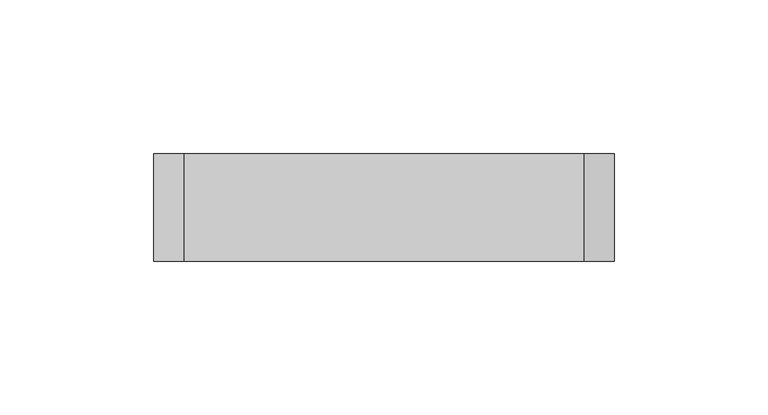
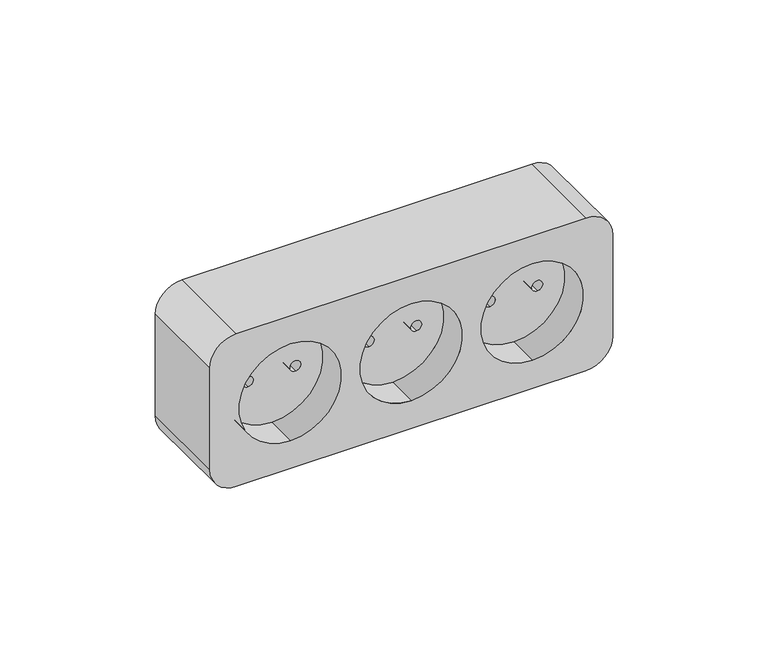
"""IFC4 building model written with IfcOpenShell, lengths in millimetres: proxy geometry."""

from ifc_helpers import new_model, si_unit, frame, origin, place, context, project, spatial, polyline, circle_curve, source, transform, mapped, element, save
from ifc_brep_helpers import plane_surface, cylinder_surface, revolved_surface, advanced_brep


def electrical_fixtures_6a8b407e(model_context):
    return source(origin(), model_context, "Body", "AdvancedBrep", [
        advanced_brep(
        [(60.0, -35.0, 210.0), (50.0, -35.0, 200.0), (50.0, -35.0, 160.0), (60.0, -35.0, 150.0), (190.0, -35.0, 150.0), (200.0, -35.0, 160.0), (200.0, -35.0, 200.0), (190.0, -35.0, 210.0), (170.0, -35.0, 199.0), (170.0, -35.0, 161.0), (125.0, -35.0, 199.0), (125.0, -35.0, 161.0), (80.0, -35.0, 199.0), (80.0, -35.0, 161.0), (60.0, 0.0, 210.0), (190.0, 0.0, 210.0), (200.0, 0.0, 200.0), (200.0, 0.0, 160.0), (190.0, 0.0, 150.0), (60.0, 0.0, 150.0), (50.0, 0.0, 160.0), (50.0, 0.0, 200.0), (170.0, -23.0, 199.0), (170.0, -23.0, 161.0), (178.8542367, -23.0, 182.0), (178.8542367, -23.0, 178.0), (161.1457633, -23.0, 182.0), (161.1457633, -23.0, 178.0), (125.0, -23.0, 199.0), (125.0, -23.0, 161.0), (133.8542367, -23.0, 182.0), (133.8542367, -23.0, 178.0), (116.1457633, -23.0, 182.0), (116.1457633, -23.0, 178.0), (133.8542367, -15.0, 182.0), (133.8542367, -15.0, 178.0), (116.1457633, -15.0, 182.0), (116.1457633, -15.0, 178.0), (178.8542367, -15.0, 182.0), (178.8542367, -15.0, 178.0), (161.1457633, -15.0, 182.0), (161.1457633, -15.0, 178.0), (88.8542367, -15.0, 182.0), (88.8542367, -15.0, 178.0), (71.1457633, -15.0, 182.0), (71.1457633, -15.0, 178.0), (88.8542367, -23.0, 182.0), (88.8542367, -23.0, 178.0), (71.1457633, -23.0, 182.0), (71.1457633, -23.0, 178.0), (80.0, -23.0, 199.0), (80.0, -23.0, 161.0)],
        [
            (0, 1, circle_curve(frame((60.0, -35.0, 200.0), z_axis=(0.0, -1.0, 0.0), x_axis=(-1.0, 0.0, 0.0)), 10.0)),
            (1, 2),
            (2, 3, circle_curve(frame((60.0, -35.0, 160.0), z_axis=(0.0, -1.0, 0.0), x_axis=(-1.0, 0.0, 0.0)), 10.0)),
            (3, 4),
            (4, 5, circle_curve(frame((190.0, -35.0, 160.0), z_axis=(0.0, -1.0, 0.0), x_axis=(-1.0, 0.0, 0.0)), 10.0)),
            (5, 6),
            (6, 7, circle_curve(frame((190.0, -35.0, 200.0), z_axis=(0.0, -1.0, 0.0), x_axis=(-1.0, 0.0, 0.0)), 10.0)),
            (7, 0),
            (8, 9, circle_curve(frame((170.0, -35.0, 180.0), z_axis=(0.0, 1.0, 0.0), x_axis=(0.0, 0.0, -1.0)), 19.0)),
            (9, 8, circle_curve(frame((170.0, -35.0, 180.0), z_axis=(0.0, 1.0, 0.0), x_axis=(0.0, 0.0, -1.0)), 19.0)),
            (10, 11, circle_curve(frame((125.0, -35.0, 180.0), z_axis=(0.0, 1.0, 0.0), x_axis=(0.0, 0.0, -1.0)), 19.0)),
            (11, 10, circle_curve(frame((125.0, -35.0, 180.0), z_axis=(0.0, 1.0, 0.0), x_axis=(0.0, 0.0, -1.0)), 19.0)),
            (12, 13, circle_curve(frame((80.0, -35.0, 180.0), z_axis=(0.0, 1.0, 0.0), x_axis=(0.0, 0.0, -1.0)), 19.0)),
            (13, 12, circle_curve(frame((80.0, -35.0, 180.0), z_axis=(0.0, 1.0, 0.0), x_axis=(0.0, 0.0, -1.0)), 19.0)),
            (14, 15),
            (15, 16, circle_curve(frame((190.0, 0.0, 200.0), z_axis=(0.0, 1.0, 0.0), x_axis=(-1.0, 0.0, 0.0)), 10.0)),
            (16, 17),
            (17, 18, circle_curve(frame((190.0, 0.0, 160.0), z_axis=(0.0, 1.0, 0.0), x_axis=(-1.0, 0.0, 0.0)), 10.0)),
            (18, 19),
            (19, 20, circle_curve(frame((60.0, 0.0, 160.0), z_axis=(0.0, 1.0, 0.0), x_axis=(-1.0, 0.0, 0.0)), 10.0)),
            (20, 21),
            (21, 14, circle_curve(frame((60.0, 0.0, 200.0), z_axis=(0.0, 1.0, 0.0), x_axis=(-1.0, 0.0, 0.0)), 10.0)),
            (7, 15),
            (14, 0),
            (5, 17),
            (16, 6),
            (3, 19),
            (18, 4),
            (1, 21),
            (20, 2),
            (22, 23, circle_curve(frame((170.0, -23.0, 180.0), z_axis=(0.0, -1.0, 0.0), x_axis=(0.0, 0.0, -1.0)), 19.0)),
            (23, 22, circle_curve(frame((170.0, -23.0, 180.0), z_axis=(0.0, -1.0, 0.0), x_axis=(0.0, 0.0, -1.0)), 19.0)),
            (24, 25, circle_curve(frame((178.8542367, -23.0, 180.0), z_axis=(0.0, 1.0, 0.0), x_axis=(0.0, 0.0, -1.0)), 2.0)),
            (25, 24, circle_curve(frame((178.8542367, -23.0, 180.0), z_axis=(0.0, 1.0, 0.0), x_axis=(0.0, 0.0, -1.0)), 2.0)),
            (26, 27, circle_curve(frame((161.1457633, -23.0, 180.0), z_axis=(0.0, 1.0, 0.0), x_axis=(0.0, 0.0, -1.0)), 2.0)),
            (27, 26, circle_curve(frame((161.1457633, -23.0, 180.0), z_axis=(0.0, 1.0, 0.0), x_axis=(0.0, 0.0, -1.0)), 2.0)),
            (22, 8),
            (9, 23),
            (28, 29, circle_curve(frame((125.0, -23.0, 180.0), z_axis=(0.0, -1.0, 0.0), x_axis=(0.0, 0.0, -1.0)), 19.0)),
            (29, 28, circle_curve(frame((125.0, -23.0, 180.0), z_axis=(0.0, -1.0, 0.0), x_axis=(0.0, 0.0, -1.0)), 19.0)),
            (30, 31, circle_curve(frame((133.8542367, -23.0, 180.0), z_axis=(0.0, 1.0, 0.0), x_axis=(0.0, 0.0, -1.0)), 2.0)),
            (31, 30, circle_curve(frame((133.8542367, -23.0, 180.0), z_axis=(0.0, 1.0, 0.0), x_axis=(0.0, 0.0, -1.0)), 2.0)),
            (32, 33, circle_curve(frame((116.1457633, -23.0, 180.0), z_axis=(0.0, 1.0, 0.0), x_axis=(0.0, 0.0, -1.0)), 2.0)),
            (33, 32, circle_curve(frame((116.1457633, -23.0, 180.0), z_axis=(0.0, 1.0, 0.0), x_axis=(0.0, 0.0, -1.0)), 2.0)),
            (28, 10),
            (11, 29),
            (34, 35, circle_curve(frame((133.8542367, -15.0, 180.0), z_axis=(0.0, -1.0, 0.0), x_axis=(0.0, 0.0, -1.0)), 2.0)),
            (35, 34, circle_curve(frame((133.8542367, -15.0, 180.0), z_axis=(0.0, -1.0, 0.0), x_axis=(0.0, 0.0, -1.0)), 2.0)),
            (36, 37, circle_curve(frame((116.1457633, -15.0, 180.0), z_axis=(0.0, -1.0, 0.0), x_axis=(0.0, 0.0, -1.0)), 2.0)),
            (37, 36, circle_curve(frame((116.1457633, -15.0, 180.0), z_axis=(0.0, -1.0, 0.0), x_axis=(0.0, 0.0, -1.0)), 2.0)),
            (34, 30),
            (31, 35),
            (36, 32),
            (33, 37),
            (38, 39, circle_curve(frame((178.8542367, -15.0, 180.0), z_axis=(0.0, -1.0, 0.0), x_axis=(0.0, 0.0, -1.0)), 2.0)),
            (39, 38, circle_curve(frame((178.8542367, -15.0, 180.0), z_axis=(0.0, -1.0, 0.0), x_axis=(0.0, 0.0, -1.0)), 2.0)),
            (40, 41, circle_curve(frame((161.1457633, -15.0, 180.0), z_axis=(0.0, -1.0, 0.0), x_axis=(0.0, 0.0, -1.0)), 2.0)),
            (41, 40, circle_curve(frame((161.1457633, -15.0, 180.0), z_axis=(0.0, -1.0, 0.0), x_axis=(0.0, 0.0, -1.0)), 2.0)),
            (38, 24),
            (25, 39),
            (40, 26),
            (27, 41),
            (42, 43, circle_curve(frame((88.8542367, -15.0, 180.0), z_axis=(0.0, -1.0, 0.0), x_axis=(0.0, 0.0, -1.0)), 2.0)),
            (43, 42, circle_curve(frame((88.8542367, -15.0, 180.0), z_axis=(0.0, -1.0, 0.0), x_axis=(0.0, 0.0, -1.0)), 2.0)),
            (44, 45, circle_curve(frame((71.1457633, -15.0, 180.0), z_axis=(0.0, -1.0, 0.0), x_axis=(0.0, 0.0, -1.0)), 2.0)),
            (45, 44, circle_curve(frame((71.1457633, -15.0, 180.0), z_axis=(0.0, -1.0, 0.0), x_axis=(0.0, 0.0, -1.0)), 2.0)),
            (42, 46),
            (46, 47, circle_curve(frame((88.8542367, -23.0, 180.0), z_axis=(0.0, -1.0, 0.0), x_axis=(0.0, 0.0, -1.0)), 2.0)),
            (47, 43),
            (47, 46, circle_curve(frame((88.8542367, -23.0, 180.0), z_axis=(0.0, -1.0, 0.0), x_axis=(0.0, 0.0, -1.0)), 2.0)),
            (44, 48),
            (48, 49, circle_curve(frame((71.1457633, -23.0, 180.0), z_axis=(0.0, -1.0, 0.0), x_axis=(0.0, 0.0, -1.0)), 2.0)),
            (49, 45),
            (49, 48, circle_curve(frame((71.1457633, -23.0, 180.0), z_axis=(0.0, -1.0, 0.0), x_axis=(0.0, 0.0, -1.0)), 2.0)),
            (50, 51, circle_curve(frame((80.0, -23.0, 180.0), z_axis=(0.0, -1.0, 0.0), x_axis=(0.0, 0.0, -1.0)), 19.0)),
            (51, 50, circle_curve(frame((80.0, -23.0, 180.0), z_axis=(0.0, -1.0, 0.0), x_axis=(0.0, 0.0, -1.0)), 19.0)),
            (50, 12),
            (13, 51),
        ],
        [
            plane_surface(frame((190.0, -35.0, 210.0), z_axis=(0.0, -1.0, 0.0), x_axis=(1.0, 0.0, 0.0))),
            plane_surface(frame((190.0, 0.0, 210.0), z_axis=(0.0, 1.0, 0.0), x_axis=(-1.0, 0.0, 0.0))),
            plane_surface(frame((60.0, -35.0, 210.0), z_axis=(0.0, 0.0, 1.0), x_axis=(0.0, 1.0, 0.0))),
            plane_surface(frame((200.0, -35.0, 200.0), z_axis=(1.0, 0.0, 0.0), x_axis=(0.0, 1.0, 0.0))),
            plane_surface(frame((190.0, -35.0, 150.0), z_axis=(0.0, 0.0, -1.0), x_axis=(0.0, 1.0, 0.0))),
            plane_surface(frame((50.0, -35.0, 160.0), z_axis=(-1.0, 0.0, 0.0), x_axis=(0.0, 1.0, 0.0))),
            cylinder_surface(frame((190.0, 0.0, 200.0), z_axis=(0.0, -1.0, 0.0), x_axis=(-1.0, 0.0, 0.0)), 10.0),
            cylinder_surface(frame((190.0, 0.0, 160.0), z_axis=(0.0, -1.0, 0.0), x_axis=(-1.0, 0.0, 0.0)), 10.0),
            cylinder_surface(frame((60.0, 0.0, 160.0), z_axis=(0.0, -1.0, 0.0), x_axis=(-1.0, 0.0, 0.0)), 10.0),
            cylinder_surface(frame((60.0, 0.0, 200.0), z_axis=(0.0, -1.0, 0.0), x_axis=(-1.0, 0.0, 0.0)), 10.0),
            plane_surface(frame((170.0, -23.0, 161.0), z_axis=(0.0, -1.0, 0.0), x_axis=(1.0, 0.0, 0.0))),
            revolved_surface(polyline([(170.0, -23.0, 161.0), (170.0, -35.0, 161.0)]), (170.0, -35.0, 180.0), (0.0, 1.0, 0.0)),
            plane_surface(frame((125.0, -23.0, 161.0), z_axis=(0.0, -1.0, 0.0), x_axis=(1.0, 0.0, 0.0))),
            revolved_surface(polyline([(125.0, -23.0, 161.0), (125.0, -35.0, 161.0)]), (125.0, -35.0, 180.0), (0.0, 1.0, 0.0)),
            plane_surface(frame((133.8542367, -15.0, 178.0), z_axis=(0.0, -1.0, 0.0), x_axis=(1.0, 0.0, 0.0))),
            revolved_surface(polyline([(133.8542367, -15.0, 178.0), (133.8542367, -23.0, 178.0)]), (133.8542367, -23.0, 180.0), (0.0, 1.0, 0.0)),
            revolved_surface(polyline([(116.1457633, -15.0, 178.0), (116.1457633, -23.0, 178.0)]), (116.1457633, -35.0, 180.0), (0.0, 1.0, 0.0)),
            plane_surface(frame((178.8542367, -15.0, 178.0), z_axis=(0.0, -1.0, 0.0), x_axis=(1.0, 0.0, 0.0))),
            revolved_surface(polyline([(178.8542367, -15.0, 178.0), (178.8542367, -23.0, 178.0)]), (178.8542367, -23.0, 180.0), (0.0, 1.0, 0.0)),
            revolved_surface(polyline([(161.1457633, -15.0, 178.0), (161.1457633, -23.0, 178.0)]), (161.1457633, -35.0, 180.0), (0.0, 1.0, 0.0)),
            plane_surface(frame((88.8542367, -15.0, 178.0), z_axis=(0.0, -1.0, 0.0), x_axis=(1.0, 0.0, 0.0))),
            revolved_surface(polyline([(88.8542367, -15.0, 178.0), (88.8542367, -23.0, 178.0)]), (88.8542367, -23.0, 180.0), (0.0, 1.0, 0.0)),
            revolved_surface(polyline([(71.1457633, -15.0, 178.0), (71.1457633, -23.0, 178.0)]), (71.1457633, -35.0, 180.0), (0.0, 1.0, 0.0)),
            plane_surface(frame((80.0, -23.0, 161.0), z_axis=(0.0, -1.0, 0.0), x_axis=(1.0, 0.0, 0.0))),
            revolved_surface(polyline([(80.0, -23.0, 161.0), (80.0, -35.0, 161.0)]), (80.0, -35.0, 180.0), (0.0, 1.0, 0.0)),
        ],
        [
            (0, [[1, 2, 3, 4, 5, 6, 7, 8], [9, 10], [11, 12], [13, 14]]),
            (1, [[15, 16, 17, 18, 19, 20, 21, 22]]),
            (2, [[23, -15, 24, -8]]),
            (3, [[25, -17, 26, -6]]),
            (4, [[27, -19, 28, -4]]),
            (5, [[29, -21, 30, -2]]),
            (6, [[-26, -16, -23, -7]]),
            (7, [[-28, -18, -25, -5]]),
            (8, [[-30, -20, -27, -3]]),
            (9, [[-24, -22, -29, -1]]),
            (10, [[31, 32], [33, 34], [35, 36]]),
            (11, [[37, -10, 38, -31]]),
            (11, [[-38, -9, -37, -32]]),
            (12, [[39, 40], [41, 42], [43, 44]]),
            (13, [[45, -12, 46, -39]]),
            (13, [[-46, -11, -45, -40]]),
            (14, [[47, 48]]),
            (14, [[49, 50]]),
            (15, [[51, -42, 52, -47]]),
            (15, [[-52, -41, -51, -48]]),
            (16, [[53, -44, 54, -49]]),
            (16, [[-54, -43, -53, -50]]),
            (17, [[55, 56]]),
            (17, [[57, 58]]),
            (18, [[59, -34, 60, -55]]),
            (18, [[-60, -33, -59, -56]]),
            (19, [[61, -36, 62, -57]]),
            (19, [[-62, -35, -61, -58]]),
            (20, [[63, 64]]),
            (20, [[65, 66]]),
            (21, [[67, 68, 69, -63]]),
            (21, [[-69, 70, -67, -64]]),
            (22, [[71, 72, 73, -65]]),
            (22, [[-73, 74, -71, -66]]),
            (23, [[75, 76], [-70, -68], [-74, -72]]),
            (24, [[77, -14, 78, -75]]),
            (24, [[-78, -13, -77, -76]]),
        ],
    ),
    ])


if __name__ == "__main__":
    model = new_model("IFC4")
    model_context = context("Model", 3, world=origin())
    ifc_project = project(units=[si_unit("LENGTHUNIT", "METRE", prefix="MILLI")], contexts=[model_context])
    site = spatial("IfcSite", under=ifc_project)
    building = spatial("IfcBuilding", under=site)
    placement = place(None, origin())
    electrical_fixtures_shape = electrical_fixtures_6a8b407e(model_context)
    element("IfcBuildingElementProxy", 1, Name="Electrical Fixtures", at=placement, inside=building, context=model_context, shape_type="MappedRepresentation", body=[
        mapped(electrical_fixtures_shape, transform((0.0, 0.0, 0.0), x_axis=(1.0, 0.0, 0.0), y_axis=(0.0, 1.0, 0.0), z_axis=(0.0, 0.0, 1.0))),
    ])
    save(model, "model.ifc")
